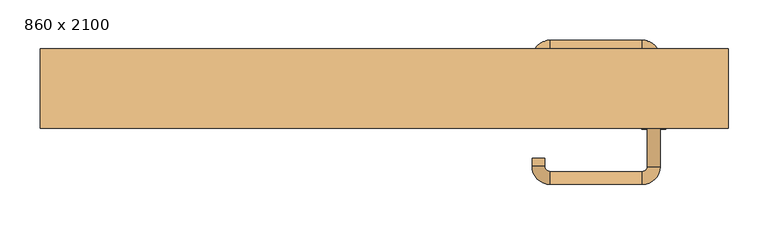
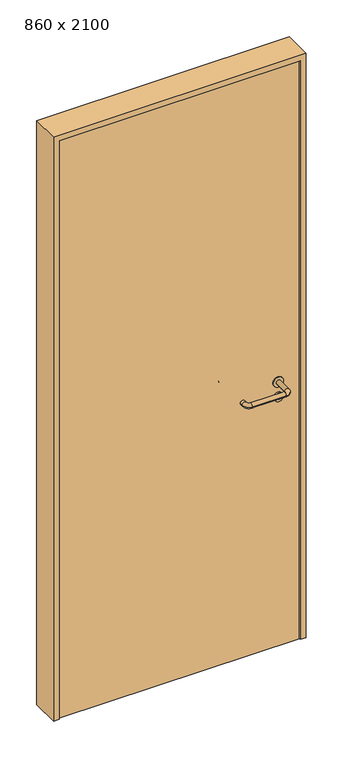
"""IFC4 building model written with IfcOpenShell, lengths in millimetres: door geometry, 860 x 2100."""

from ifc_helpers import new_model, si_unit, point, frame, frame_2d, origin, origin_with_axes, place, context, project, spatial, polyline, circle_curve, ellipse_curve, trimmed, segment, composite_curve, outline, extrude, source, transform, mapped, element, save
from ifc_brep_helpers import plane_surface, cylinder_surface, revolved_surface, advanced_brep


def door_860_x_2100_ca625e43(model_context):
    return source(origin(), model_context, "Body", "SolidModel", [
        extrude(outline(composite_curve([segment(trimmed(circle_curve(frame_2d((897.3605726, 337.0)), 15.0), [point((897.3605726, 352.0))], [point((897.3605726, 322.0))], False, "CARTESIAN"), True, "CONTINUOUS"), segment(trimmed(circle_curve(frame_2d((897.3605726, 337.0)), 15.0), [point((897.3605726, 322.0))], [point((897.3605726, 352.0))], False, "CARTESIAN"), True, "CONTINUOUS")], self_intersect=False), holes=[composite_curve([segment(trimmed(circle_curve(frame_2d((892.5833211, 336.9398032)), 2.0), [point((892.5833211, 338.9398032))], [point((892.5833211, 334.9398032))], True, "CARTESIAN"), True, "CONTINUOUS"), segment(polyline([(892.5833211, 334.9398032), (902.5833211, 334.9398032)]), True, "CONTINUOUS"), segment(trimmed(circle_curve(frame_2d((902.5833211, 336.9398032)), 2.0), [point((902.5833211, 334.9398032))], [point((902.5833211, 338.9398032))], True, "CARTESIAN"), True, "CONTINUOUS"), segment(polyline([(902.5833211, 338.9398032), (892.5833211, 338.9398032)]), True, "CONTINUOUS")], self_intersect=False)]), frame((0.0, -15.0, 0.0), z_axis=(0.0, 1.0, 0.0), x_axis=(0.0, 0.0, 1.0)), (0.0, 0.0, 1.0), 6.35),
        extrude(outline(composite_curve([segment(trimmed(circle_curve(frame_2d((950.0, 337.0)), 17.526), [point((950.0, 354.526))], [point((950.0, 319.474))], False, "CARTESIAN"), True, "CONTINUOUS"), segment(trimmed(circle_curve(frame_2d((950.0, 337.0)), 17.526), [point((950.0, 319.474))], [point((950.0, 354.526))], False, "CARTESIAN"), True, "CONTINUOUS")], self_intersect=False)), frame((0.0, -15.0, 0.0), z_axis=(0.0, 1.0, 0.0), x_axis=(0.0, 0.0, 1.0)), (0.0, 0.0, 1.0), 3.175),
        advanced_brep(
        [(345.0, -15.0, 950.0), (329.0, -15.0, 950.0), (345.0, 38.0, 950.0), (329.0, 38.0, 950.0), (322.8578644, 44.1421356, 950.0), (322.8578644, 60.1421356, 950.0), (207.8578644, 60.1421356, 950.0), (207.8578644, 44.1421356, 950.0), (201.008622, 37.2928932, 950.0), (185.008622, 37.2928932, 950.0), (185.008622, 27.2928932, 950.0), (201.008622, 27.2928932, 950.0)],
        [
            (0, 1, circle_curve(frame((337.0, -15.0, 950.0), z_axis=(0.0, -1.0, 0.0), x_axis=(-1.0, 0.0, 0.0)), 8.0)),
            (1, 0, circle_curve(frame((337.0, -15.0, 950.0), z_axis=(0.0, -1.0, 0.0), x_axis=(-1.0, 0.0, 0.0)), 8.0)),
            (0, 2),
            (2, 3, circle_curve(frame((337.0, 38.0, 950.0), z_axis=(0.0, -1.0, 0.0), x_axis=(-1.0, 0.0, 0.0)), 8.0)),
            (3, 1),
            (3, 2, circle_curve(frame((337.0, 38.0, 950.0), z_axis=(0.0, -1.0, 0.0), x_axis=(-1.0, 0.0, 0.0)), 8.0)),
            (4, 3, circle_curve(frame((322.8578644, 38.0, 950.0), z_axis=(0.0, 0.0, -1.0), x_axis=(1.0, 0.0, 0.0)), 6.1421356)),
            (2, 5, circle_curve(frame((322.8578644, 38.0, 950.0), z_axis=(0.0, 0.0, 1.0), x_axis=(1.0, 0.0, 0.0)), 22.1421356)),
            (5, 4, circle_curve(frame((322.8578644, 52.1421356, 950.0), z_axis=(1.0, 0.0, 0.0), x_axis=(0.0, -1.0, 0.0)), 8.0)),
            (4, 5, circle_curve(frame((322.8578644, 52.1421356, 950.0), z_axis=(1.0, 0.0, 0.0), x_axis=(0.0, -1.0, 0.0)), 8.0)),
            (5, 6),
            (6, 7, circle_curve(frame((207.8578644, 52.1421356, 950.0), z_axis=(1.0, 0.0, 0.0), x_axis=(0.0, -1.0, 0.0)), 8.0)),
            (7, 4),
            (7, 6, circle_curve(frame((207.8578644, 52.1421356, 950.0), z_axis=(1.0, 0.0, 0.0), x_axis=(0.0, -1.0, 0.0)), 8.0)),
            (8, 7, circle_curve(frame((207.8578644, 37.2928932, 950.0), z_axis=(0.0, 0.0, -1.0), x_axis=(0.0, 1.0, 0.0)), 6.8492424)),
            (6, 9, circle_curve(frame((207.8578644, 37.2928932, 950.0), z_axis=(0.0, 0.0, 1.0), x_axis=(0.0, 1.0, 0.0)), 22.8492424)),
            (9, 8, circle_curve(frame((193.008622, 37.2928932, 950.0), z_axis=(0.0, 1.0, 0.0), x_axis=(1.0, 0.0, 0.0)), 8.0)),
            (8, 9, circle_curve(frame((193.008622, 37.2928932, 950.0), z_axis=(0.0, 1.0, 0.0), x_axis=(1.0, 0.0, 0.0)), 8.0)),
            (10, 11, circle_curve(frame((193.008622, 27.2928932, 950.0), z_axis=(0.0, -1.0, 0.0), x_axis=(1.0, 0.0, 0.0)), 8.0)),
            (11, 10, circle_curve(frame((193.008622, 27.2928932, 950.0), z_axis=(0.0, -1.0, 0.0), x_axis=(1.0, 0.0, 0.0)), 8.0)),
            (9, 10),
            (11, 8),
        ],
        [
            plane_surface(frame((337.0, -15.0, 0.0), z_axis=(0.0, -1.0, 0.0), x_axis=(0.0, 0.0, 1.0))),
            cylinder_surface(frame((337.0, -15.0, 950.0), z_axis=(0.0, -1.0, 0.0), x_axis=(-1.0, 0.0, 0.0)), 8.0),
            revolved_surface(trimmed(ellipse_curve(frame((337.0, 38.0, 950.0), z_axis=(0.0, -1.0, 0.0), x_axis=(-1.0, 0.0, 0.0)), 8.0, 8.0), [point((345.0, 38.0, 950.0))], [point((329.0, 38.0, 950.0))], True, "CARTESIAN"), (322.8578644, 38.0, 0.0), (0.0, 0.0, 1.0)),
            revolved_surface(trimmed(ellipse_curve(frame((337.0, 38.0, 950.0), z_axis=(0.0, -1.0, 0.0), x_axis=(-1.0, 0.0, 0.0)), 8.0, 8.0), [point((329.0, 38.0, 950.0))], [point((345.0, 38.0, 950.0))], True, "CARTESIAN"), (322.8578644, 38.0, 0.0), (0.0, 0.0, 1.0)),
            cylinder_surface(frame((322.8578644, 52.1421356, 950.0), z_axis=(1.0, 0.0, 0.0), x_axis=(0.0, -1.0, 0.0)), 8.0),
            revolved_surface(trimmed(ellipse_curve(frame((207.8578644, 52.1421356, 950.0), z_axis=(1.0, 0.0, 0.0), x_axis=(0.0, -1.0, 0.0)), 8.0, 8.0), [point((207.8578644, 60.1421356, 950.0))], [point((207.8578644, 44.1421356, 950.0))], True, "CARTESIAN"), (207.8578644, 37.2928932, 0.0), (0.0, 0.0, 1.0)),
            revolved_surface(trimmed(ellipse_curve(frame((207.8578644, 52.1421356, 950.0), z_axis=(1.0, 0.0, 0.0), x_axis=(0.0, -1.0, 0.0)), 8.0, 8.0), [point((207.8578644, 44.1421356, 950.0))], [point((207.8578644, 60.1421356, 950.0))], True, "CARTESIAN"), (207.8578644, 37.2928932, 0.0), (0.0, 0.0, 1.0)),
            plane_surface(frame((193.008622, 27.2928932, 0.0), z_axis=(0.0, -1.0, 0.0), x_axis=(0.0, 0.0, 1.0))),
            cylinder_surface(frame((193.008622, 37.2928932, 950.0), z_axis=(0.0, 1.0, 0.0), x_axis=(1.0, 0.0, 0.0)), 8.0),
        ],
        [
            (0, [[1, 2]]),
            (1, [[-1, 3, 4, 5]]),
            (1, [[-2, -5, 6, -3]]),
            (2, [[7, -4, 8, 9]]),
            (3, [[-8, -6, -7, 10]]),
            (4, [[-9, 11, 12, 13]]),
            (4, [[-10, -13, 14, -11]]),
            (5, [[15, -12, 16, 17]]),
            (6, [[-16, -14, -15, 18]]),
            (7, [[19, 20]]),
            (8, [[-17, 21, -20, 22]]),
            (8, [[-18, -22, -19, -21]]),
        ],
    ),
        extrude(outline(composite_curve([segment(trimmed(circle_curve(frame_2d((0.0, 15.0)), 15.0), [point((0.0, 30.0))], [point((0.0, 0.0))], False, "CARTESIAN"), True, "CONTINUOUS"), segment(trimmed(circle_curve(frame_2d((0.0, 15.0)), 15.0), [point((0.0, 0.0))], [point((0.0, 30.0))], False, "CARTESIAN"), True, "CONTINUOUS")], self_intersect=False), holes=[composite_curve([segment(trimmed(circle_curve(frame_2d((-4.7772515, 14.9398032)), 2.0), [point((-4.7772515, 16.9398032))], [point((-4.7772515, 12.9398032))], True, "CARTESIAN"), True, "CONTINUOUS"), segment(polyline([(-4.7772515, 12.9398032), (5.2227485, 12.9398032)]), True, "CONTINUOUS"), segment(trimmed(circle_curve(frame_2d((5.2227485, 14.9398032)), 2.0), [point((5.2227485, 12.9398032))], [point((5.2227485, 16.9398032))], True, "CARTESIAN"), True, "CONTINUOUS"), segment(polyline([(5.2227485, 16.9398032), (-4.7772515, 16.9398032)]), True, "CONTINUOUS")], self_intersect=False)]), frame((322.0, -51.35, 897.3605726), z_axis=(-1.8870575173328306e-12, 1.0, 0.0), x_axis=(0.0, 0.0, 1.0)), (0.0, 0.0, 1.0), 6.35),
        extrude(outline(composite_curve([segment(trimmed(circle_curve(frame_2d((0.0, 17.526)), 17.526), [point((0.0, 35.052))], [point((0.0, 0.0))], False, "CARTESIAN"), True, "CONTINUOUS"), segment(trimmed(circle_curve(frame_2d((0.0, 17.526)), 17.526), [point((0.0, 0.0))], [point((0.0, 35.052))], False, "CARTESIAN"), True, "CONTINUOUS")], self_intersect=False)), frame((319.474, -48.175, 950.0), z_axis=(-1.8870575173328306e-12, 1.0, 0.0), x_axis=(0.0, 0.0, 1.0)), (0.0, 0.0, 1.0), 3.175),
        advanced_brep(
        [(345.0, -45.0, 950.0), (329.0, -45.0, 950.0), (329.0, -98.0, 950.0), (345.0, -98.0, 950.0), (322.8578644, -104.1421356, 950.0), (322.8578644, -120.1421356, 950.0), (207.8578644, -104.1421356, 950.0), (207.8578644, -120.1421356, 950.0), (201.008622, -97.2928932, 950.0), (185.008622, -97.2928932, 950.0), (185.008622, -87.2928932, 950.0), (201.008622, -87.2928932, 950.0)],
        [
            (0, 1, circle_curve(frame((337.0, -45.0, 950.0), z_axis=(-1.888672253512351e-12, 1.0, 0.0), x_axis=(-1.0, -1.888672253512351e-12, 0.0)), 8.0)),
            (1, 0, circle_curve(frame((337.0, -45.0, 950.0), z_axis=(-1.888672253512351e-12, 1.0, 0.0), x_axis=(-1.0, -1.888672253512351e-12, 0.0)), 8.0)),
            (1, 2),
            (2, 3, circle_curve(frame((337.0, -98.0, 950.0), z_axis=(-1.888672253512351e-12, 1.0, 0.0), x_axis=(-1.0, -1.888672253512351e-12, 0.0)), 8.0)),
            (3, 0),
            (3, 2, circle_curve(frame((337.0, -98.0, 950.0), z_axis=(-1.888672253512351e-12, 1.0, 0.0), x_axis=(-1.0, -1.888672253512351e-12, 0.0)), 8.0)),
            (4, 5, circle_curve(frame((322.8578644, -112.1421356, 950.0), z_axis=(1.0, 1.913702061528922e-12, 0.0), x_axis=(-1.913702061528922e-12, 1.0, 0.0)), 8.0)),
            (5, 3, circle_curve(frame((322.8578644, -98.0, 950.0), z_axis=(0.0, 0.0, 1.0), x_axis=(1.0, 1.880717803715015e-12, 0.0)), 22.1421356)),
            (2, 4, circle_curve(frame((322.8578644, -98.0, 950.0), z_axis=(0.0, 0.0, -1.0), x_axis=(1.0, 1.880717803715015e-12, 0.0)), 6.1421356)),
            (5, 4, circle_curve(frame((322.8578644, -112.1421356, 950.0), z_axis=(1.0, 1.913702061528922e-12, 0.0), x_axis=(-1.913702061528922e-12, 1.0, 0.0)), 8.0)),
            (4, 6),
            (6, 7, circle_curve(frame((207.8578644, -112.1421356, 950.0), z_axis=(1.0, 1.913719828541269e-12, 0.0), x_axis=(-1.913719828541269e-12, 1.0, 0.0)), 8.0)),
            (7, 5),
            (7, 6, circle_curve(frame((207.8578644, -112.1421356, 950.0), z_axis=(1.0, 1.913719828541269e-12, 0.0), x_axis=(-1.913719828541269e-12, 1.0, 0.0)), 8.0)),
            (8, 9, circle_curve(frame((193.008622, -97.2928932, 950.0), z_axis=(1.8888942981172756e-12, -1.0, 0.0), x_axis=(1.0, 1.8888942981172756e-12, 0.0)), 8.0)),
            (9, 7, circle_curve(frame((207.8578644, -97.2928932, 950.0), z_axis=(0.0, 0.0, 1.0), x_axis=(1.9120873253494017e-12, -1.0, 0.0)), 22.8492424)),
            (6, 8, circle_curve(frame((207.8578644, -97.2928932, 950.0), z_axis=(0.0, 0.0, -1.0), x_axis=(1.9120873253494017e-12, -1.0, 0.0)), 6.8492424)),
            (9, 8, circle_curve(frame((193.008622, -97.2928932, 950.0), z_axis=(1.890448610351751e-12, -1.0, 0.0), x_axis=(1.0, 1.890448610351751e-12, 0.0)), 8.0)),
            (10, 11, circle_curve(frame((193.008622, -87.2928932, 950.0), z_axis=(-1.8903642334018795e-12, 1.0, 0.0), x_axis=(1.0, 1.8903642334018795e-12, 0.0)), 8.0)),
            (11, 10, circle_curve(frame((193.008622, -87.2928932, 950.0), z_axis=(-1.8903642334018795e-12, 1.0, 0.0), x_axis=(1.0, 1.8903642334018795e-12, 0.0)), 8.0)),
            (8, 11),
            (10, 9),
        ],
        [
            plane_surface(frame((337.0, -45.0, 0.0), z_axis=(-1.8870575173328306e-12, 1.0, 0.0), x_axis=(0.0, 0.0, 1.0))),
            cylinder_surface(frame((337.0, -45.0, 950.0), z_axis=(-1.888672253512351e-12, 1.0, 0.0), x_axis=(-1.0, -1.888672253512351e-12, 0.0)), 8.0),
            revolved_surface(trimmed(ellipse_curve(frame((337.0, -98.0, 950.0), z_axis=(1.8823325398945356e-12, -1.0, 0.0), x_axis=(-1.0, -1.8823325398945356e-12, 0.0)), 8.0, 8.0), [point((345.0, -98.0, 950.0))], [point((329.0, -98.0, 950.0))], True, "CARTESIAN"), (322.8578644, -98.0, 0.0), (0.0, 0.0, 1.0)),
            revolved_surface(trimmed(ellipse_curve(frame((337.0, -98.0, 950.0), z_axis=(1.8823325398945356e-12, -1.0, 0.0), x_axis=(-1.0, -1.8823325398945356e-12, 0.0)), 8.0, 8.0), [point((329.0, -98.0, 950.0))], [point((345.0, -98.0, 950.0))], True, "CARTESIAN"), (322.8578644, -98.0, 0.0), (0.0, 0.0, 1.0)),
            cylinder_surface(frame((322.8578644, -112.1421356, 950.0), z_axis=(1.0, 1.913719828541269e-12, 0.0), x_axis=(-1.913719828541269e-12, 1.0, 0.0)), 8.0),
            revolved_surface(trimmed(ellipse_curve(frame((207.8578644, -112.1421356, 950.0), z_axis=(-1.0, -1.913702061528922e-12, 0.0), x_axis=(-1.913702061528922e-12, 1.0, 0.0)), 8.0, 8.0), [point((207.8578644, -120.1421356, 950.0))], [point((207.8578644, -104.1421356, 950.0))], True, "CARTESIAN"), (207.8578644, -97.2928932, 0.0), (0.0, 0.0, 1.0)),
            revolved_surface(trimmed(ellipse_curve(frame((207.8578644, -112.1421356, 950.0), z_axis=(-1.0, -1.913702061528922e-12, 0.0), x_axis=(-1.913702061528922e-12, 1.0, 0.0)), 8.0, 8.0), [point((207.8578644, -104.1421356, 950.0))], [point((207.8578644, -120.1421356, 950.0))], True, "CARTESIAN"), (207.8578644, -97.2928932, 0.0), (0.0, 0.0, 1.0)),
            plane_surface(frame((193.008622, -87.2928932, 0.0), z_axis=(-1.8887494972223595e-12, 1.0, 0.0), x_axis=(0.0, 0.0, 1.0))),
            cylinder_surface(frame((193.008622, -97.2928932, 950.0), z_axis=(1.8903642334018795e-12, -1.0, 0.0), x_axis=(1.0, 1.8903642334018795e-12, 0.0)), 8.0),
        ],
        [
            (0, [[1, 2]]),
            (1, [[3, 4, 5, -2]]),
            (1, [[-5, 6, -3, -1]]),
            (2, [[7, 8, -4, 9]]),
            (3, [[10, -9, -6, -8]]),
            (4, [[11, 12, 13, -7]]),
            (4, [[-13, 14, -11, -10]]),
            (5, [[15, 16, -12, 17]]),
            (6, [[18, -17, -14, -16]]),
            (7, [[19, 20]]),
            (8, [[21, -19, 22, -15]]),
            (8, [[-22, -20, -21, -18]]),
        ],
    ),
        extrude(outline(polyline([(2080.0, 410.0), (0.0, 410.0), (0.0, 430.0), (2100.0, 430.0), (2100.0, -430.0), (0.0, -430.0), (0.0, -410.0), (2080.0, -410.0), (2080.0, 410.0)])), frame((0.0, -50.0, 0.0), z_axis=(0.0, 1.0, 0.0), x_axis=(0.0, 0.0, 1.0)), (0.0, 0.0, 1.0), 99.0),
        extrude(outline(polyline([(-410.0, -45.0), (-410.0, -15.0), (410.0, -15.0), (410.0, -45.0), (-410.0, -45.0)])), origin_with_axes(), (0.0, 0.0, 1.0), 2080.0),
    ])


if __name__ == "__main__":
    model = new_model("IFC4")
    model_context = context("Model", 3, world=origin())
    ifc_project = project(units=[si_unit("LENGTHUNIT", "METRE", prefix="MILLI")], contexts=[model_context])
    site = spatial("IfcSite", under=ifc_project)
    building = spatial("IfcBuilding", under=site)
    placement = place(None, origin())
    door_860_x_2100_shape = door_860_x_2100_ca625e43(model_context)
    element("IfcDoor", 1, ObjectType="860 x 2100", at=placement, inside=building, context=model_context, shape_type="MappedRepresentation", body=[
        mapped(door_860_x_2100_shape, transform((0.0, 0.0, 0.0), x_axis=(1.0, 0.0, 0.0), y_axis=(0.0, 1.0, 0.0), z_axis=(0.0, 0.0, 1.0))),
    ])
    save(model, "model.ifc")
